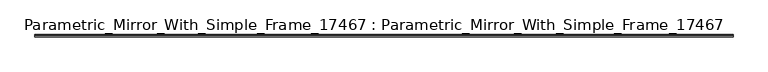
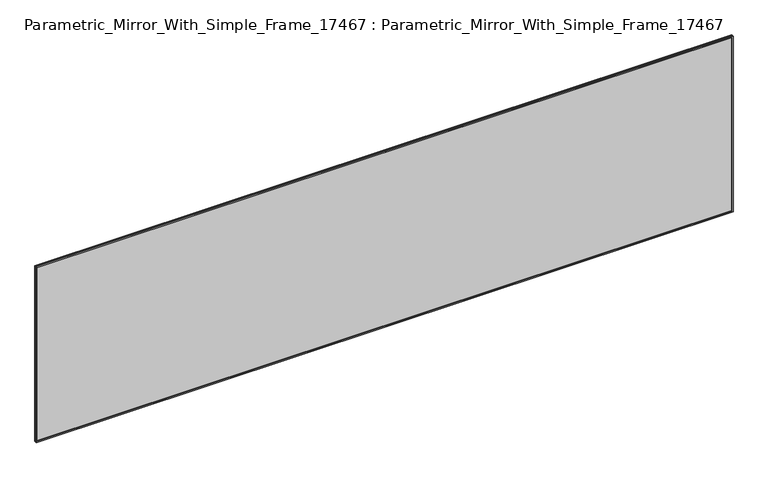
"""IFC4 building model written with IfcOpenShell, lengths in millimetres: proxy geometry, Parametric_Mirror_With_Simple_Frame_17467 : Parametric_Mirror_With_Simple_Frame_17467."""

from ifc_helpers import new_model, si_unit, frame, origin, place, context, project, spatial, polyline, outline, extrude, source, transform, mapped, element, save


def parametric_mirror_with_simple_frame_17467_parametric_mirror_d1a07f1a(model_context):
    return source(origin(), model_context, "Body", "SweptSolid", [
        extrude(outline(polyline([(1381.3081523, -57.5796875), (-2619.2918477, -57.5796875), (-2619.2918477, -55.0), (1381.3081523, -55.0), (1381.3081523, -57.5796875)])), frame((0.0, 0.0, 1016.0), z_axis=(0.0, 0.0, 1.0), x_axis=(1.0, 0.0, 0.0)), (0.0, 0.0, 1.0), 1066.8),
        extrude(outline(polyline([(2082.8, -2619.2918477), (1016.0, -2619.2918477), (1016.0, 1381.3081523), (2082.8, 1381.3081523), (2082.8, -2619.2918477)]), holes=[polyline([(1022.35, -2612.9418477), (2076.45, -2612.9418477), (2076.45, 1374.9581523), (1022.35, 1374.9581523), (1022.35, -2612.9418477)])]), frame((0.0, -67.7, 0.0), z_axis=(0.0, 1.0, 0.0), x_axis=(0.0, 0.0, 1.0)), (0.0, 0.0, 1.0), 6.35),
        extrude(outline(polyline([(1381.3081523, -61.35), (-2619.2918477, -61.35), (-2619.2918477, -55.0), (1381.3081523, -55.0), (1381.3081523, -61.35)])), frame((0.0, 0.0, 1016.0), z_axis=(0.0, 0.0, 1.0), x_axis=(1.0, 0.0, 0.0)), (0.0, 0.0, 1.0), 1066.8),
    ])


if __name__ == "__main__":
    model = new_model("IFC4")
    model_context = context("Model", 3, world=origin())
    ifc_project = project(units=[si_unit("LENGTHUNIT", "METRE", prefix="MILLI")], contexts=[model_context])
    site = spatial("IfcSite", under=ifc_project)
    building = spatial("IfcBuilding", under=site)
    placement = place(None, origin())
    parametric_mirror_with_simple_frame_17467_parametric_mirror_shape = parametric_mirror_with_simple_frame_17467_parametric_mirror_d1a07f1a(model_context)
    element("IfcBuildingElementProxy", 1, Name="Parametric_Mirror_With_Simple_Frame_17467 : Parametric_Mirror_With_Simple_Frame_17467", ObjectType="Parametric_Mirror_With_Simple_Frame_17467 : Parametric_Mirror_With_Simple_Frame_17467", at=placement, inside=building, context=model_context, shape_type="MappedRepresentation", body=[
        mapped(parametric_mirror_with_simple_frame_17467_parametric_mirror_shape, transform((0.0, 0.0, 0.0), x_axis=(1.0, 0.0, 0.0), y_axis=(0.0, 1.0, 0.0), z_axis=(0.0, 0.0, 1.0))),
    ])
    save(model, "model.ifc")
